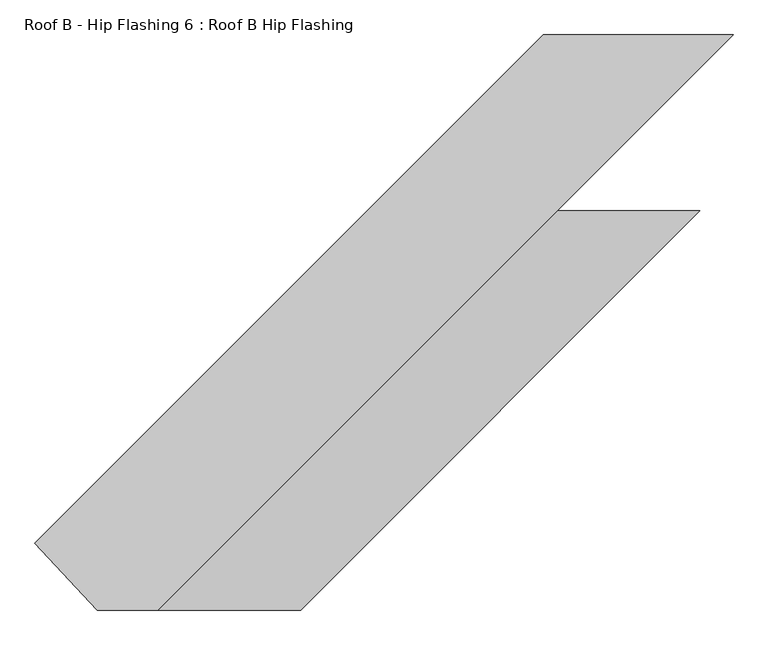
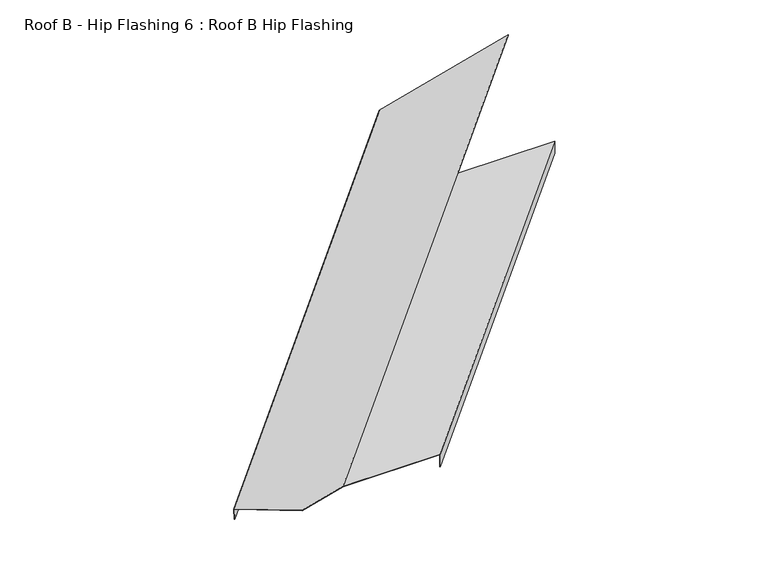
"""IFC4 building model written with IfcOpenShell, lengths in millimetres: proxy geometry, Roof B - Hip Flashing 6 : Roof B Hip Flashing."""

from ifc_helpers import new_model, si_unit, origin, place, context, project, spatial, faceted_brep, source, transform, mapped, element, save


def roof_b_hip_flashing_6_roof_b_hip_flashing_46ff3600(model_context):
    return source(origin(), model_context, "Body", "Brep", [
        faceted_brep([(10558.4847605, 8205.5078439, 3218.0023302), (10564.2520739, 8211.2751574, 3174.9545168), (10565.3834447, 8210.1437865, 3174.9545168), (10559.791155, 8204.5514968, 3216.6959357), (10706.5284666, 8047.2789202, 3256.0140798), (10706.1143561, 8047.2789202, 3257.5595611), (11761.2422111, 9408.2652946, 3540.2802178), (11761.2422111, 9408.2652946, 3495.6870574), (10849.7689527, 8047.2789202, 3296.0516943), (11794.0861076, 8991.5960751, 3549.0807133), (12210.7626483, 9408.2574478, 3660.7288559), (11188.0499248, 8047.2789202, 3296.0516943), (12132.3670796, 8991.5960751, 3549.0807133), (11188.0499248, 8047.2789202, 3250.2511023), (12132.3670796, 8991.5960751, 3503.2801213), (11185.7871831, 8047.2789202, 3249.9479524), (12130.1043379, 8991.5960751, 3502.9769714), (11763.5049528, 9408.2652946, 3495.9902073), (11185.7871831, 8047.2789202, 3294.3952524), (12130.1043379, 8991.5960751, 3547.4242715), (10849.7689527, 8047.2789202, 3294.3952524), (11794.0861076, 8991.5960751, 3547.4242715), (11763.5049528, 9408.2652946, 3539.2300757), (12210.7553271, 9408.2652946, 3659.0704523)], [[[0, 1, 2, 3, 4, 5]], [[1, 0, 6, 7]], [[0, 5, 8, 9, 10, 6]], [[8, 11, 12, 9]], [[11, 13, 14, 12]], [[13, 15, 16, 14]], [[2, 1, 7, 17]], [[15, 18, 19, 16]], [[18, 20, 21, 19]], [[4, 3, 22, 23, 21, 20]], [[3, 2, 17, 22]], [[5, 4, 20, 18, 15, 13, 11, 8]], [[7, 6, 10, 23, 22, 17]], [[9, 21, 23, 10]], [[21, 9, 12, 14, 16, 19]]]),
    ])


if __name__ == "__main__":
    model = new_model("IFC4")
    model_context = context("Model", 3, world=origin())
    ifc_project = project(units=[si_unit("LENGTHUNIT", "METRE", prefix="MILLI")], contexts=[model_context])
    site = spatial("IfcSite", under=ifc_project)
    building = spatial("IfcBuilding", under=site)
    placement = place(None, origin())
    roof_b_hip_flashing_6_roof_b_hip_flashing_shape = roof_b_hip_flashing_6_roof_b_hip_flashing_46ff3600(model_context)
    element("IfcBuildingElementProxy", 1, Name="Roof B - Hip Flashing 6 : Roof B Hip Flashing", ObjectType="Roof B - Hip Flashing 6 : Roof B Hip Flashing", at=placement, inside=building, context=model_context, shape_type="MappedRepresentation", body=[
        mapped(roof_b_hip_flashing_6_roof_b_hip_flashing_shape, transform((0.0, 0.0, 0.0), x_axis=(1.0, 0.0, 0.0), y_axis=(0.0, 1.0, 0.0), z_axis=(0.0, 0.0, 1.0))),
    ])
    save(model, "model.ifc")
